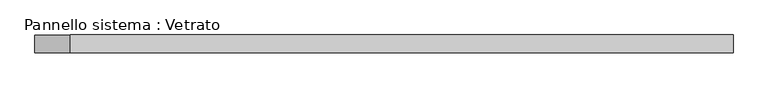
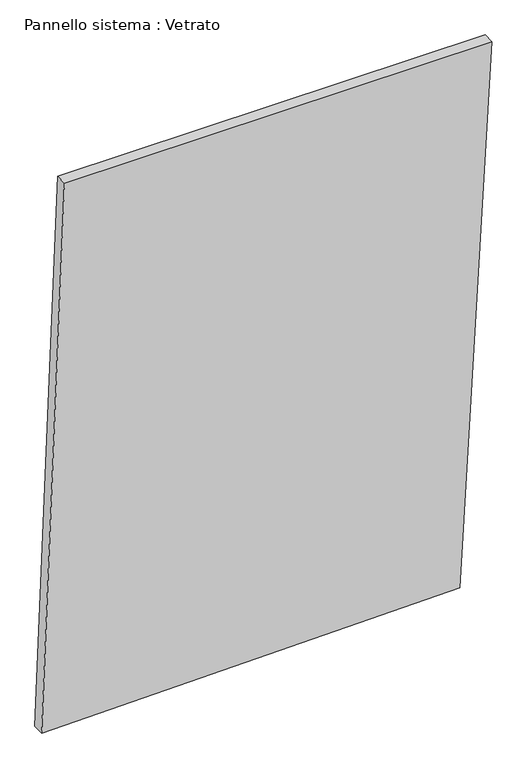
"""IFC4 building model written with IfcOpenShell, lengths in millimetres: plate geometry, Pannello sistema : Vetrato."""

from ifc_helpers import new_model, si_unit, frame, origin, place, context, project, spatial, polyline, outline, extrude, source, transform, mapped, element, save


def pannello_sistema_vetrato_154f4b88(model_context):
    return source(origin(), model_context, "Body", "SweptSolid", [
        extrude(outline(polyline([(0.0, -586.315332), (19.082845, 503.4778973), (1494.1981012, 586.315332), (1494.1981012, -526.8672831), (0.0, -586.315332)])), frame((0.0, -15.0, 0.0), z_axis=(0.0, 1.0, 0.0), x_axis=(0.0, 0.0, 1.0)), (0.0, 0.0, 1.0), 30.0),
    ])


if __name__ == "__main__":
    model = new_model("IFC4")
    model_context = context("Model", 3, world=origin())
    ifc_project = project(units=[si_unit("LENGTHUNIT", "METRE", prefix="MILLI")], contexts=[model_context])
    site = spatial("IfcSite", under=ifc_project)
    building = spatial("IfcBuilding", under=site)
    placement = place(None, origin())
    pannello_sistema_vetrato_shape = pannello_sistema_vetrato_154f4b88(model_context)
    element("IfcPlate", 1, ObjectType="Pannello sistema : Vetrato", at=placement, inside=building, context=model_context, shape_type="MappedRepresentation", body=[
        mapped(pannello_sistema_vetrato_shape, transform((0.0, 0.0, 0.0), x_axis=(1.0, 0.0, 0.0), y_axis=(0.0, 1.0, 0.0), z_axis=(0.0, 0.0, 1.0))),
    ])
    save(model, "model.ifc")
